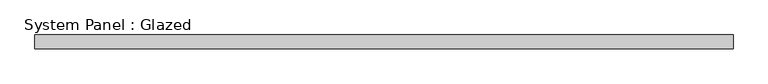
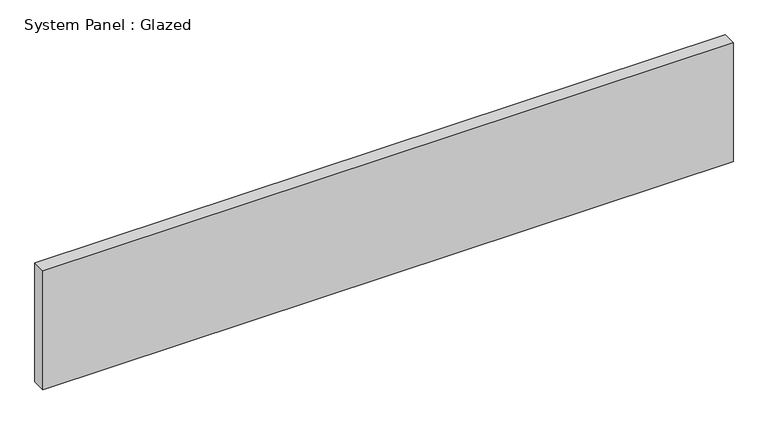
"""IFC4 building model written with IfcOpenShell, lengths in millimetres: plate geometry, System Panel : Glazed."""

from ifc_helpers import new_model, si_unit, origin, origin_with_axes, place, context, project, spatial, polyline, outline, extrude, source, transform, mapped, element, save


def system_panel_glazed_617802b7(model_context):
    return source(origin(), model_context, "Body", "SweptSolid", [
        extrude(outline(polyline([(629.1666668, 24.5), (-629.1666668, 24.5), (-629.1666668, 49.5), (629.1666668, 49.5), (629.1666668, 24.5)])), origin_with_axes(), (0.0, 0.0, 1.0), 229.2459602),
    ])


if __name__ == "__main__":
    model = new_model("IFC4")
    model_context = context("Model", 3, world=origin())
    ifc_project = project(units=[si_unit("LENGTHUNIT", "METRE", prefix="MILLI")], contexts=[model_context])
    site = spatial("IfcSite", under=ifc_project)
    building = spatial("IfcBuilding", under=site)
    placement = place(None, origin())
    system_panel_glazed_shape = system_panel_glazed_617802b7(model_context)
    element("IfcPlate", 1, ObjectType="System Panel : Glazed", at=placement, inside=building, context=model_context, shape_type="MappedRepresentation", body=[
        mapped(system_panel_glazed_shape, transform((0.0, 0.0, 0.0), x_axis=(1.0, 0.0, 0.0), y_axis=(0.0, 1.0, 0.0), z_axis=(0.0, 0.0, 1.0))),
    ])
    save(model, "model.ifc")
